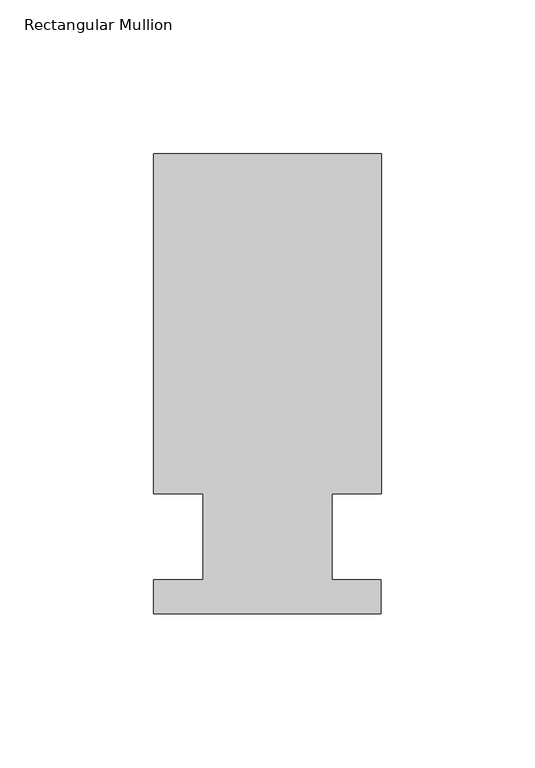
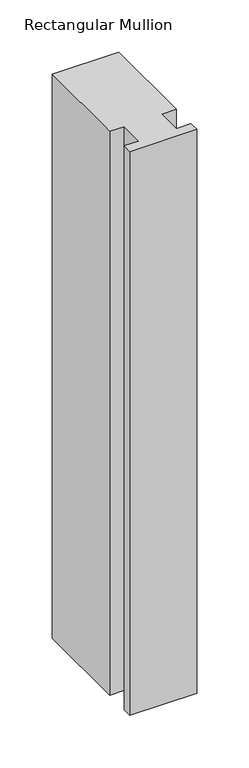
"""IFC4 building model written with IfcOpenShell, lengths in millimetres: member geometry, Rectangular Mullion."""

from ifc_helpers import new_model, si_unit, frame, origin, place, context, project, spatial, polyline, outline, extrude, source, transform, mapped, element, save


def rectangular_mullion_69083324(model_context):
    return source(origin(), model_context, "Body", "SweptSolid", [
        extrude(outline(polyline([(-20.9800745, 13.9998907), (-37.0, 13.9998907), (-37.0, 124.5), (37.0, 124.5), (37.0, 13.9998907), (20.9800745, 13.9998907), (20.9800745, -14.0), (36.9800745, -14.0), (36.9800745, -25.0), (-37.0, -25.0), (-37.0, -14.0), (-20.9800745, -14.0), (-20.9800745, 13.9998907)])), frame((0.0, 0.0, -661.5615776), z_axis=(0.0, 0.0, 1.0), x_axis=(1.0, 0.0, 0.0)), (0.0, 0.0, 1.0), 661.5615776),
    ])


if __name__ == "__main__":
    model = new_model("IFC4")
    model_context = context("Model", 3, world=origin())
    ifc_project = project(units=[si_unit("LENGTHUNIT", "METRE", prefix="MILLI")], contexts=[model_context])
    site = spatial("IfcSite", under=ifc_project)
    building = spatial("IfcBuilding", under=site)
    placement = place(None, origin())
    rectangular_mullion_shape = rectangular_mullion_69083324(model_context)
    element("IfcMember", 1, ObjectType="Rectangular Mullion", at=placement, inside=building, context=model_context, shape_type="MappedRepresentation", body=[
        mapped(rectangular_mullion_shape, transform((0.0, 0.0, 0.0), x_axis=(1.0, 0.0, 0.0), y_axis=(0.0, 1.0, 0.0), z_axis=(0.0, 0.0, 1.0))),
    ])
    save(model, "model.ifc")
